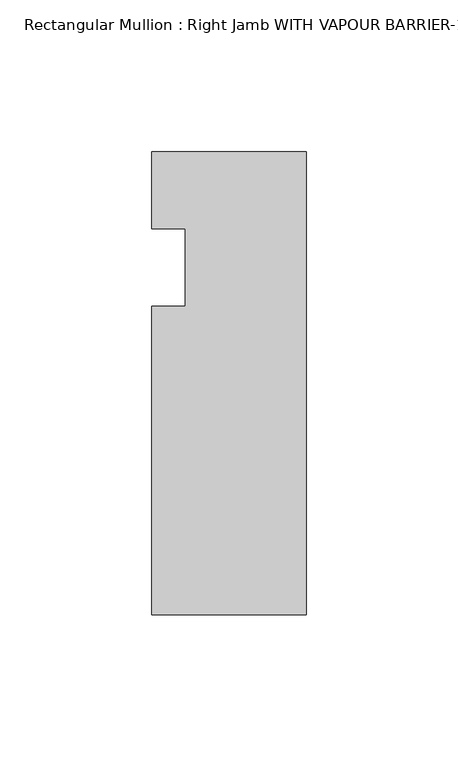
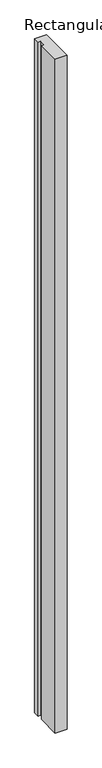
"""IFC4 building model written with IfcOpenShell, lengths in millimetres: member geometry."""

from ifc_helpers import new_model, si_unit, frame, origin, place, context, project, spatial, polyline, outline, extrude, source, transform, mapped, element, save


def member_d66a2bd2(model_context):
    return source(origin(), model_context, "Body", "SweptSolid", [
        extrude(outline(polyline([(-50.8, -138.1125), (-50.8, -36.5125), (-39.8272, -36.5125), (-39.8272, -11.1125), (-50.8, -11.1125), (-50.8, 14.2875), (0.0, 14.2875), (0.0, -138.1125), (-50.8, -138.1125)])), frame((0.0, 0.0, -3048.0), z_axis=(0.0, 0.0, 1.0), x_axis=(1.0, 0.0, 0.0)), (0.0, 0.0, 1.0), 3048.0),
    ])


if __name__ == "__main__":
    model = new_model("IFC4")
    model_context = context("Model", 3, world=origin())
    ifc_project = project(units=[si_unit("LENGTHUNIT", "METRE", prefix="MILLI")], contexts=[model_context])
    site = spatial("IfcSite", under=ifc_project)
    building = spatial("IfcBuilding", under=site)
    placement = place(None, origin())
    member_shape = member_d66a2bd2(model_context)
    element("IfcMember", 1, ObjectType="Rectangular Mullion : Right Jamb WITH VAPOUR BARRIER-1/4\" INFILL-model 6", at=placement, inside=building, context=model_context, shape_type="MappedRepresentation", body=[
        mapped(member_shape, transform((0.0, 0.0, 0.0), x_axis=(1.0, 0.0, 0.0), y_axis=(0.0, 1.0, 0.0), z_axis=(0.0, 0.0, 1.0))),
    ])
    save(model, "model.ifc")
